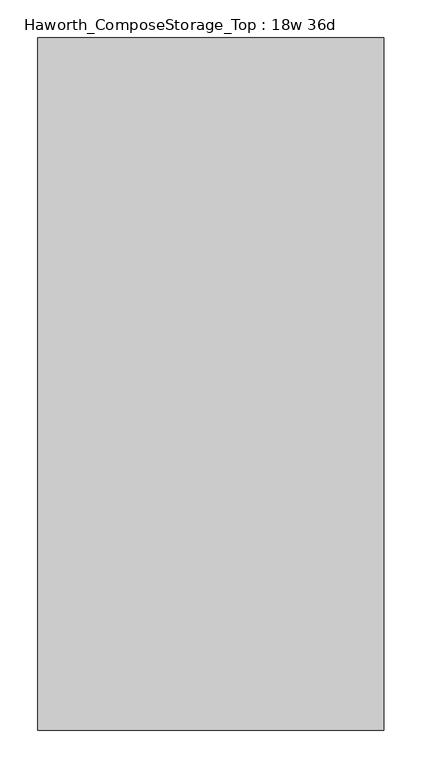
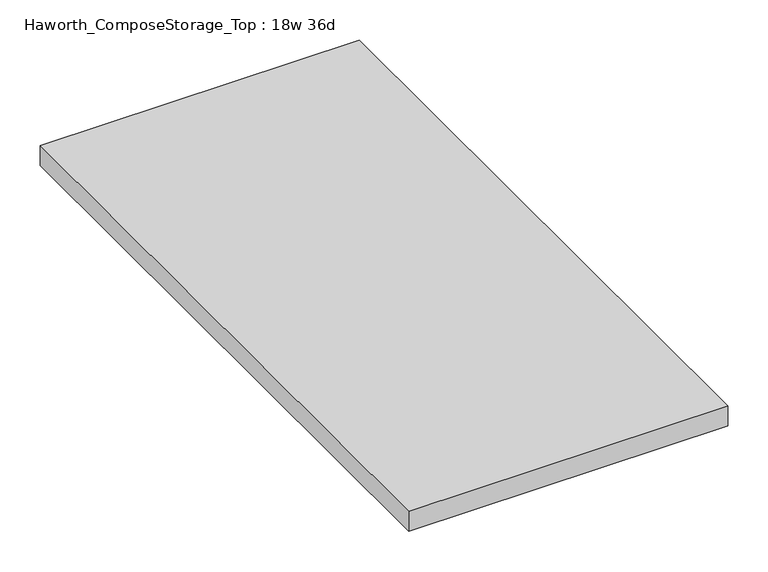
"""IFC4 building model written with IfcOpenShell, lengths in millimetres: furniture geometry, Haworth_ComposeStorage_Top : 18w 36d."""

from ifc_helpers import new_model, si_unit, frame, origin, place, context, project, spatial, polyline, outline, extrude, source, transform, mapped, element, save


def haworth_composestorage_top_18w_36d_76cb31a3(model_context):
    return source(origin(), model_context, "Body", "SweptSolid", [
        extrude(outline(polyline([(228.6, 457.2), (228.6, -457.2), (-228.6, -457.2), (-228.6, 457.2), (228.6, 457.2)])), frame((0.0, 0.0, 706.4375), z_axis=(0.0, 0.0, 1.0), x_axis=(1.0, 0.0, 0.0)), (0.0, 0.0, 1.0), 30.1625),
    ])


if __name__ == "__main__":
    model = new_model("IFC4")
    model_context = context("Model", 3, world=origin())
    ifc_project = project(units=[si_unit("LENGTHUNIT", "METRE", prefix="MILLI")], contexts=[model_context])
    site = spatial("IfcSite", under=ifc_project)
    building = spatial("IfcBuilding", under=site)
    placement = place(None, origin())
    haworth_composestorage_top_18w_36d_shape = haworth_composestorage_top_18w_36d_76cb31a3(model_context)
    element("IfcFurniture", 1, ObjectType="Haworth_ComposeStorage_Top : 18w 36d", at=placement, inside=building, context=model_context, shape_type="MappedRepresentation", body=[
        mapped(haworth_composestorage_top_18w_36d_shape, transform((0.0, 0.0, 0.0), x_axis=(1.0, 0.0, 0.0), y_axis=(0.0, 1.0, 0.0), z_axis=(0.0, 0.0, 1.0))),
    ])
    save(model, "model.ifc")
